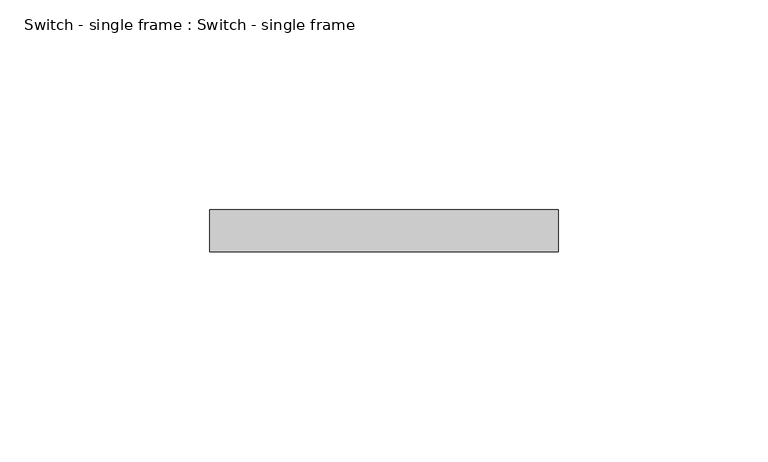
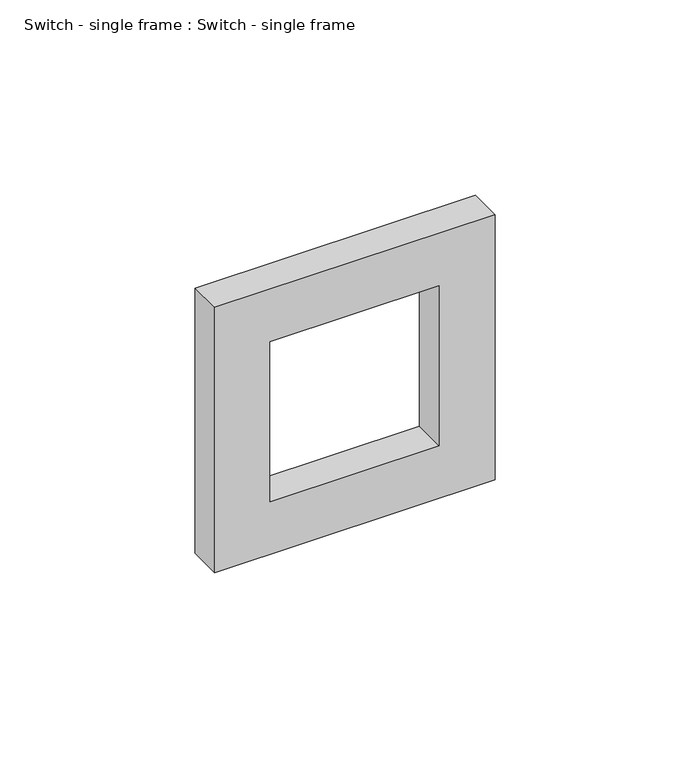
"""IFC4 building model written with IfcOpenShell, lengths in millimetres: proxy geometry, Switch - single frame : Switch - single frame."""

from ifc_helpers import new_model, si_unit, frame, origin, place, context, project, spatial, polyline, outline, extrude, source, transform, mapped, element, save


def switch_single_frame_switch_single_frame_9b72e28f(model_context):
    return source(origin(), model_context, "Body", "SweptSolid", [
        extrude(outline(polyline([(41.5, 41.5), (41.5, -41.5), (-41.5, -41.5), (-41.5, 41.5), (41.5, 41.5)]), holes=[polyline([(25.0, 25.0), (-25.0, 25.0), (-25.0, -25.0), (25.0, -25.0), (25.0, 25.0)])]), frame((0.0, -10.0, 0.0), z_axis=(0.0, 1.0, 0.0), x_axis=(0.0, 0.0, 1.0)), (0.0, 0.0, 1.0), 10.0),
    ])


if __name__ == "__main__":
    model = new_model("IFC4")
    model_context = context("Model", 3, world=origin())
    ifc_project = project(units=[si_unit("LENGTHUNIT", "METRE", prefix="MILLI")], contexts=[model_context])
    site = spatial("IfcSite", under=ifc_project)
    building = spatial("IfcBuilding", under=site)
    placement = place(None, origin())
    switch_single_frame_switch_single_frame_shape = switch_single_frame_switch_single_frame_9b72e28f(model_context)
    element("IfcBuildingElementProxy", 1, Name="Switch - single frame : Switch - single frame", ObjectType="Switch - single frame : Switch - single frame", at=placement, inside=building, context=model_context, shape_type="MappedRepresentation", body=[
        mapped(switch_single_frame_switch_single_frame_shape, transform((0.0, 0.0, 0.0), x_axis=(1.0, 0.0, 0.0), y_axis=(0.0, 1.0, 0.0), z_axis=(0.0, 0.0, 1.0))),
    ])
    save(model, "model.ifc")
